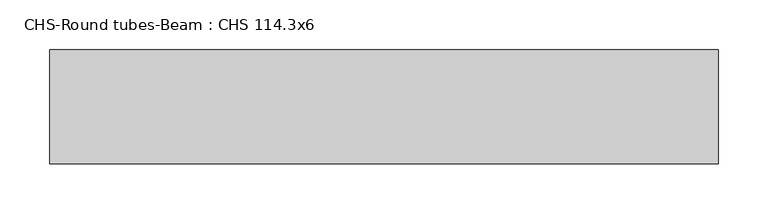
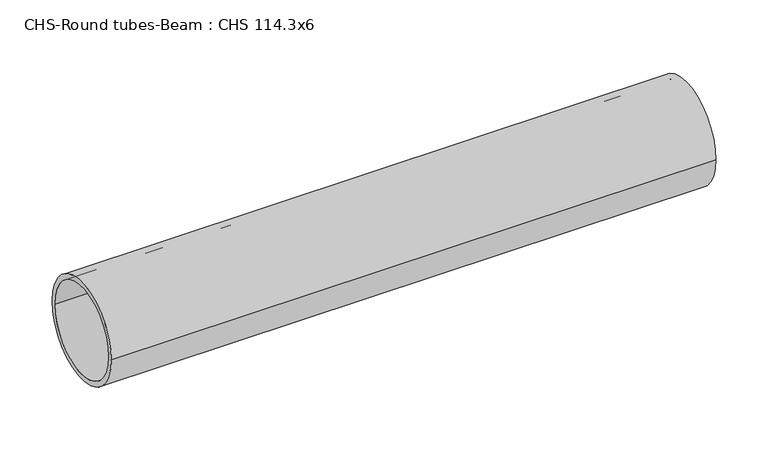
"""IFC4 building model written with IfcOpenShell, lengths in millimetres: beam geometry, CHS-Round tubes-Beam : CHS 114.3x6."""

from ifc_helpers import new_model, si_unit, point, frame, origin, origin_2d, place, context, project, spatial, circle_curve, trimmed, segment, composite_curve, outline, extrude, source, transform, mapped, element, save


def chs_round_tubes_beam_chs_114_3x6_6b2282f0(model_context):
    return source(origin(), model_context, "Body", "SweptSolid", [
        extrude(outline(composite_curve([segment(trimmed(circle_curve(origin_2d(), 57.15), [point((57.15, 0.0))], [point((-57.15, 0.0))], False, "CARTESIAN"), True, "CONTINUOUS"), segment(trimmed(circle_curve(origin_2d(), 57.15), [point((-57.15, 0.0))], [point((57.15, 0.0))], False, "CARTESIAN"), True, "CONTINUOUS")], self_intersect=False), holes=[composite_curve([segment(trimmed(circle_curve(origin_2d(), 51.15), [point((51.15, 0.0))], [point((-51.15, 0.0))], True, "CARTESIAN"), True, "CONTINUOUS"), segment(trimmed(circle_curve(origin_2d(), 51.15), [point((-51.15, 0.0))], [point((51.15, 0.0))], True, "CARTESIAN"), True, "CONTINUOUS")], self_intersect=False)]), frame((-295.2463446, 0.0, 0.0), z_axis=(1.0, 0.0, 0.0), x_axis=(0.0, 1.0, 0.0)), (0.0, 0.0, 1.0), 670.9254315),
    ])


if __name__ == "__main__":
    model = new_model("IFC4")
    model_context = context("Model", 3, world=origin())
    ifc_project = project(units=[si_unit("LENGTHUNIT", "METRE", prefix="MILLI")], contexts=[model_context])
    site = spatial("IfcSite", under=ifc_project)
    building = spatial("IfcBuilding", under=site)
    placement = place(None, origin())
    chs_round_tubes_beam_chs_114_3x6_shape = chs_round_tubes_beam_chs_114_3x6_6b2282f0(model_context)
    element("IfcBeam", 1, ObjectType="CHS-Round tubes-Beam : CHS 114.3x6", at=placement, inside=building, context=model_context, shape_type="MappedRepresentation", body=[
        mapped(chs_round_tubes_beam_chs_114_3x6_shape, transform((0.0, 0.0, 0.0), x_axis=(1.0, 0.0, 0.0), y_axis=(0.0, 1.0, 0.0), z_axis=(0.0, 0.0, 1.0))),
    ])
    save(model, "model.ifc")
